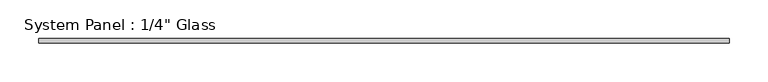
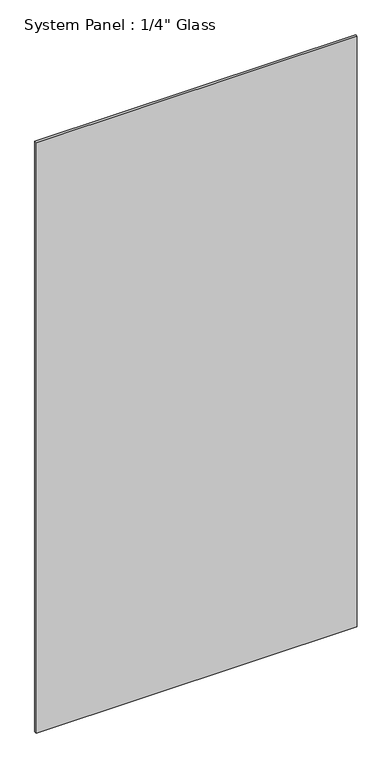
"""IFC4 building model written with IfcOpenShell, lengths in millimetres: plate geometry."""

from ifc_helpers import new_model, si_unit, origin, origin_with_axes, place, context, project, spatial, polyline, outline, extrude, source, transform, mapped, element, save


def plate_1d176af0(model_context):
    return source(origin(), model_context, "Body", "SweptSolid", [
        extrude(outline(polyline([(447.675, -3.175), (-447.675, -3.175), (-447.675, 3.175), (447.675, 3.175), (447.675, -3.175)])), origin_with_axes(), (0.0, 0.0, 1.0), 1739.9),
    ])


if __name__ == "__main__":
    model = new_model("IFC4")
    model_context = context("Model", 3, world=origin())
    ifc_project = project(units=[si_unit("LENGTHUNIT", "METRE", prefix="MILLI")], contexts=[model_context])
    site = spatial("IfcSite", under=ifc_project)
    building = spatial("IfcBuilding", under=site)
    placement = place(None, origin())
    plate_shape = plate_1d176af0(model_context)
    element("IfcPlate", 1, ObjectType="System Panel : 1/4\" Glass", at=placement, inside=building, context=model_context, shape_type="MappedRepresentation", body=[
        mapped(plate_shape, transform((0.0, 0.0, 0.0), x_axis=(1.0, 0.0, 0.0), y_axis=(0.0, 1.0, 0.0), z_axis=(0.0, 0.0, 1.0))),
    ])
    save(model, "model.ifc")
